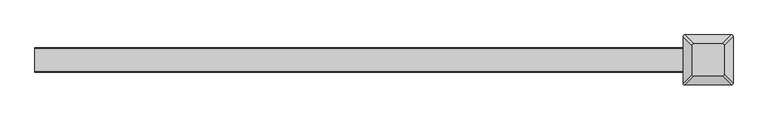
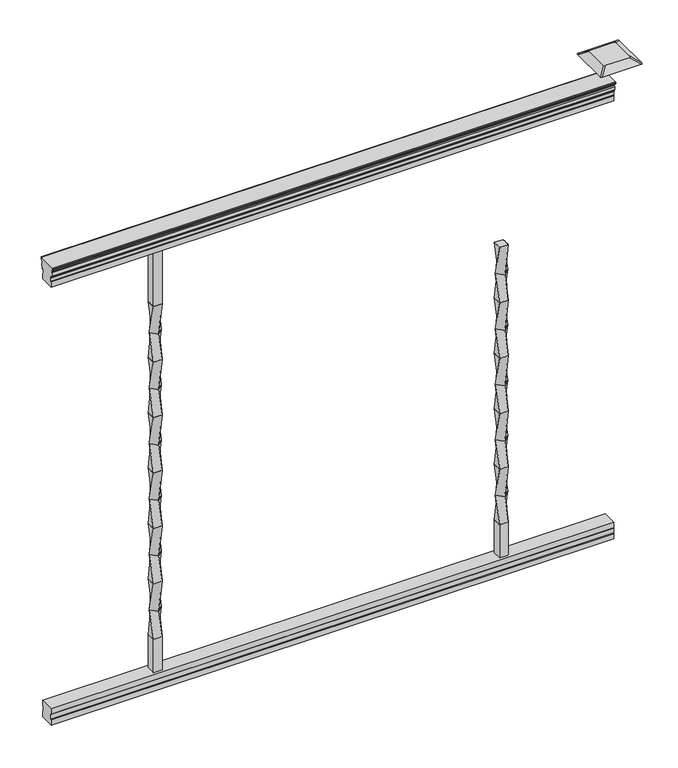
"""IFC4 building model written with IfcOpenShell, lengths in millimetres: proxy geometry."""

from ifc_helpers import new_model, si_unit, point, frame, frame_2d, origin, place, context, project, spatial, polyline, circle_curve, trimmed, segment, composite_curve, outline, extrude, source, transform, mapped, element, save
from ifc_brep_helpers import plane_surface, extruded_surface, spline_surface, advanced_brep


def specialty_equipment_024e9322(model_context):
    return source(origin(), model_context, "Body", "SolidModel", [
        advanced_brep(
        [(365.521875, 9.525, 812.8), (365.521875, -9.525, 812.8), (384.571875, -9.525, 812.8), (384.571875, 9.525, 812.8), (375.046875, 13.4703842, 749.3), (388.5172592, 0.0, 749.3), (375.046875, -13.4703842, 749.3), (361.5764908, 0.0, 749.3)],
        [
            (0, 1),
            (1, 2),
            (2, 3),
            (3, 0),
            (4, 5),
            (5, 6),
            (6, 7),
            (7, 4),
            (4, 0),
            (3, 5),
            (2, 6),
            (1, 7),
        ],
        [
            plane_surface(frame((375.046875, 0.0, 812.8), z_axis=(0.0, 0.0, 1.0), x_axis=(0.0, -1.0, 0.0))),
            plane_surface(frame((375.046875, 0.0, 749.3), z_axis=(0.0, 0.0, -1.0), x_axis=(0.0, -1.0, 0.0))),
            spline_surface(1, 1, [[(388.5172592, 0.0, 749.3), (384.571875, 9.525, 812.8)], [(375.046875, 13.4703842, 749.3), (365.521875, 9.525, 812.8)]], [2, 2], [2, 2], [0.0, 1.0], [0.0, 1.0]),
            spline_surface(1, 1, [[(375.046875, -13.4703842, 749.3), (384.571875, -9.525, 812.8)], [(388.5172592, 0.0, 749.3), (384.571875, 9.525, 812.8)]], [2, 2], [2, 2], [0.0, 1.0], [0.0, 1.0]),
            spline_surface(1, 1, [[(361.5764908, 0.0, 749.3), (365.521875, -9.525, 812.8)], [(375.046875, -13.4703842, 749.3), (384.571875, -9.525, 812.8)]], [2, 2], [2, 2], [0.0, 1.0], [0.0, 1.0]),
            spline_surface(1, 1, [[(375.046875, 13.4703842, 749.3), (365.521875, 9.525, 812.8)], [(361.5764908, 0.0, 749.3), (365.521875, -9.525, 812.8)]], [2, 2], [2, 2], [0.0, 1.0], [0.0, 1.0]),
        ],
        [
            (0, [[1, 2, 3, 4]]),
            (1, [[5, 6, 7, 8]]),
            (2, [[-5, 9, -4, 10]]),
            (3, [[-6, -10, -3, 11]]),
            (4, [[-7, -11, -2, 12]]),
            (5, [[-8, -12, -1, -9]]),
        ],
    ),
        advanced_brep(
        [(375.046875, 13.4703842, 749.3), (361.5764908, 0.0, 749.3), (375.046875, -13.4703842, 749.3), (388.5172592, 0.0, 749.3), (365.521875, 9.525, 685.8), (384.571875, 9.525, 685.8), (384.571875, -9.525, 685.8), (365.521875, -9.525, 685.8)],
        [
            (0, 1),
            (1, 2),
            (2, 3),
            (3, 0),
            (4, 5),
            (5, 6),
            (6, 7),
            (7, 4),
            (4, 0),
            (3, 5),
            (2, 6),
            (1, 7),
        ],
        [
            plane_surface(frame((375.046875, 0.0, 749.3), z_axis=(0.0, 0.0, 1.0000000000000002), x_axis=(0.7071067811865481, -0.707106781186547, 0.0))),
            plane_surface(frame((375.046875, 0.0, 685.8), z_axis=(0.0, 0.0, -1.0000000000000002), x_axis=(0.7071067811865481, -0.707106781186547, 0.0))),
            spline_surface(1, 1, [[(384.571875, 9.525, 685.8), (388.5172592, 0.0, 749.3)], [(365.521875, 9.525, 685.8), (375.046875, 13.4703842, 749.3)]], [2, 2], [2, 2], [0.0, 1.0], [0.0, 1.0]),
            spline_surface(1, 1, [[(384.571875, -9.525, 685.8), (375.046875, -13.4703842, 749.3)], [(384.571875, 9.525, 685.8), (388.5172592, 0.0, 749.3)]], [2, 2], [2, 2], [0.0, 1.0], [0.0, 1.0]),
            spline_surface(1, 1, [[(365.521875, -9.525, 685.8), (361.5764908, 0.0, 749.3)], [(384.571875, -9.525, 685.8), (375.046875, -13.4703842, 749.3)]], [2, 2], [2, 2], [0.0, 1.0], [0.0, 1.0]),
            spline_surface(1, 1, [[(365.521875, 9.525, 685.8), (375.046875, 13.4703842, 749.3)], [(365.521875, -9.525, 685.8), (361.5764908, 0.0, 749.3)]], [2, 2], [2, 2], [0.0, 1.0], [0.0, 1.0]),
        ],
        [
            (0, [[1, 2, 3, 4]]),
            (1, [[5, 6, 7, 8]]),
            (2, [[-5, 9, -4, 10]]),
            (3, [[-6, -10, -3, 11]]),
            (4, [[-7, -11, -2, 12]]),
            (5, [[-8, -12, -1, -9]]),
        ],
    ),
        advanced_brep(
        [(365.521875, 9.525, 685.8), (365.521875, -9.525, 685.8), (384.571875, -9.525, 685.8), (384.571875, 9.525, 685.8), (375.046875, 13.4703842, 622.3), (388.5172592, 0.0, 622.3), (375.046875, -13.4703842, 622.3), (361.5764908, 0.0, 622.3)],
        [
            (0, 1),
            (1, 2),
            (2, 3),
            (3, 0),
            (4, 5),
            (5, 6),
            (6, 7),
            (7, 4),
            (4, 0),
            (3, 5),
            (2, 6),
            (1, 7),
        ],
        [
            plane_surface(frame((375.046875, 0.0, 685.8), z_axis=(0.0, 0.0, 1.0), x_axis=(0.0, -1.0, 0.0))),
            plane_surface(frame((375.046875, 0.0, 622.3), z_axis=(0.0, 0.0, -1.0), x_axis=(0.0, -1.0, 0.0))),
            spline_surface(1, 1, [[(388.5172592, 0.0, 622.3), (384.571875, 9.525, 685.8)], [(375.046875, 13.4703842, 622.3), (365.521875, 9.525, 685.8)]], [2, 2], [2, 2], [0.0, 1.0], [0.0, 1.0]),
            spline_surface(1, 1, [[(375.046875, -13.4703842, 622.3), (384.571875, -9.525, 685.8)], [(388.5172592, 0.0, 622.3), (384.571875, 9.525, 685.8)]], [2, 2], [2, 2], [0.0, 1.0], [0.0, 1.0]),
            spline_surface(1, 1, [[(361.5764908, 0.0, 622.3), (365.521875, -9.525, 685.8)], [(375.046875, -13.4703842, 622.3), (384.571875, -9.525, 685.8)]], [2, 2], [2, 2], [0.0, 1.0], [0.0, 1.0]),
            spline_surface(1, 1, [[(375.046875, 13.4703842, 622.3), (365.521875, 9.525, 685.8)], [(361.5764908, 0.0, 622.3), (365.521875, -9.525, 685.8)]], [2, 2], [2, 2], [0.0, 1.0], [0.0, 1.0]),
        ],
        [
            (0, [[1, 2, 3, 4]]),
            (1, [[5, 6, 7, 8]]),
            (2, [[-5, 9, -4, 10]]),
            (3, [[-6, -10, -3, 11]]),
            (4, [[-7, -11, -2, 12]]),
            (5, [[-8, -12, -1, -9]]),
        ],
    ),
        advanced_brep(
        [(375.046875, 13.4703842, 622.3), (361.5764908, 0.0, 622.3), (375.046875, -13.4703842, 622.3), (388.5172592, 0.0, 622.3), (365.521875, 9.525, 558.8), (384.571875, 9.525, 558.8), (384.571875, -9.525, 558.8), (365.521875, -9.525, 558.8)],
        [
            (0, 1),
            (1, 2),
            (2, 3),
            (3, 0),
            (4, 5),
            (5, 6),
            (6, 7),
            (7, 4),
            (4, 0),
            (3, 5),
            (2, 6),
            (1, 7),
        ],
        [
            plane_surface(frame((375.046875, 0.0, 622.3), z_axis=(0.0, 0.0, 1.0000000000000002), x_axis=(0.7071067811865481, -0.707106781186547, 0.0))),
            plane_surface(frame((375.046875, 0.0, 558.8), z_axis=(0.0, 0.0, -1.0000000000000002), x_axis=(0.7071067811865481, -0.707106781186547, 0.0))),
            spline_surface(1, 1, [[(384.571875, 9.525, 558.8), (388.5172592, 0.0, 622.3)], [(365.521875, 9.525, 558.8), (375.046875, 13.4703842, 622.3)]], [2, 2], [2, 2], [0.0, 1.0], [0.0, 1.0]),
            spline_surface(1, 1, [[(384.571875, -9.525, 558.8), (375.046875, -13.4703842, 622.3)], [(384.571875, 9.525, 558.8), (388.5172592, 0.0, 622.3)]], [2, 2], [2, 2], [0.0, 1.0], [0.0, 1.0]),
            spline_surface(1, 1, [[(365.521875, -9.525, 558.8), (361.5764908, 0.0, 622.3)], [(384.571875, -9.525, 558.8), (375.046875, -13.4703842, 622.3)]], [2, 2], [2, 2], [0.0, 1.0], [0.0, 1.0]),
            spline_surface(1, 1, [[(365.521875, 9.525, 558.8), (375.046875, 13.4703842, 622.3)], [(365.521875, -9.525, 558.8), (361.5764908, 0.0, 622.3)]], [2, 2], [2, 2], [0.0, 1.0], [0.0, 1.0]),
        ],
        [
            (0, [[1, 2, 3, 4]]),
            (1, [[5, 6, 7, 8]]),
            (2, [[-5, 9, -4, 10]]),
            (3, [[-6, -10, -3, 11]]),
            (4, [[-7, -11, -2, 12]]),
            (5, [[-8, -12, -1, -9]]),
        ],
    ),
        advanced_brep(
        [(365.521875, 9.525, 558.8), (365.521875, -9.525, 558.8), (384.571875, -9.525, 558.8), (384.571875, 9.525, 558.8), (375.046875, 13.4703842, 495.3), (388.5172592, 0.0, 495.3), (375.046875, -13.4703842, 495.3), (361.5764908, 0.0, 495.3)],
        [
            (0, 1),
            (1, 2),
            (2, 3),
            (3, 0),
            (4, 5),
            (5, 6),
            (6, 7),
            (7, 4),
            (4, 0),
            (3, 5),
            (2, 6),
            (1, 7),
        ],
        [
            plane_surface(frame((375.046875, 0.0, 558.8), z_axis=(0.0, 0.0, 1.0), x_axis=(0.0, -1.0, 0.0))),
            plane_surface(frame((375.046875, 0.0, 495.3), z_axis=(0.0, 0.0, -1.0), x_axis=(0.0, -1.0, 0.0))),
            spline_surface(1, 1, [[(388.5172592, 0.0, 495.3), (384.571875, 9.525, 558.8)], [(375.046875, 13.4703842, 495.3), (365.521875, 9.525, 558.8)]], [2, 2], [2, 2], [0.0, 1.0], [0.0, 1.0]),
            spline_surface(1, 1, [[(375.046875, -13.4703842, 495.3), (384.571875, -9.525, 558.8)], [(388.5172592, 0.0, 495.3), (384.571875, 9.525, 558.8)]], [2, 2], [2, 2], [0.0, 1.0], [0.0, 1.0]),
            spline_surface(1, 1, [[(361.5764908, 0.0, 495.3), (365.521875, -9.525, 558.8)], [(375.046875, -13.4703842, 495.3), (384.571875, -9.525, 558.8)]], [2, 2], [2, 2], [0.0, 1.0], [0.0, 1.0]),
            spline_surface(1, 1, [[(375.046875, 13.4703842, 495.3), (365.521875, 9.525, 558.8)], [(361.5764908, 0.0, 495.3), (365.521875, -9.525, 558.8)]], [2, 2], [2, 2], [0.0, 1.0], [0.0, 1.0]),
        ],
        [
            (0, [[1, 2, 3, 4]]),
            (1, [[5, 6, 7, 8]]),
            (2, [[-5, 9, -4, 10]]),
            (3, [[-6, -10, -3, 11]]),
            (4, [[-7, -11, -2, 12]]),
            (5, [[-8, -12, -1, -9]]),
        ],
    ),
        advanced_brep(
        [(375.046875, 13.4703842, 495.3), (361.5764908, 0.0, 495.3), (375.046875, -13.4703842, 495.3), (388.5172592, 0.0, 495.3), (365.521875, 9.525, 431.8), (384.571875, 9.525, 431.8), (384.571875, -9.525, 431.8), (365.521875, -9.525, 431.8)],
        [
            (0, 1),
            (1, 2),
            (2, 3),
            (3, 0),
            (4, 5),
            (5, 6),
            (6, 7),
            (7, 4),
            (4, 0),
            (3, 5),
            (2, 6),
            (1, 7),
        ],
        [
            plane_surface(frame((375.046875, 0.0, 495.3), z_axis=(0.0, 0.0, 1.0000000000000002), x_axis=(0.7071067811865481, -0.707106781186547, 0.0))),
            plane_surface(frame((375.046875, 0.0, 431.8), z_axis=(0.0, 0.0, -1.0000000000000002), x_axis=(0.7071067811865481, -0.707106781186547, 0.0))),
            spline_surface(1, 1, [[(384.571875, 9.525, 431.8), (388.5172592, 0.0, 495.3)], [(365.521875, 9.525, 431.8), (375.046875, 13.4703842, 495.3)]], [2, 2], [2, 2], [0.0, 1.0], [0.0, 1.0]),
            spline_surface(1, 1, [[(384.571875, -9.525, 431.8), (375.046875, -13.4703842, 495.3)], [(384.571875, 9.525, 431.8), (388.5172592, 0.0, 495.3)]], [2, 2], [2, 2], [0.0, 1.0], [0.0, 1.0]),
            spline_surface(1, 1, [[(365.521875, -9.525, 431.8), (361.5764908, 0.0, 495.3)], [(384.571875, -9.525, 431.8), (375.046875, -13.4703842, 495.3)]], [2, 2], [2, 2], [0.0, 1.0], [0.0, 1.0]),
            spline_surface(1, 1, [[(365.521875, 9.525, 431.8), (375.046875, 13.4703842, 495.3)], [(365.521875, -9.525, 431.8), (361.5764908, 0.0, 495.3)]], [2, 2], [2, 2], [0.0, 1.0], [0.0, 1.0]),
        ],
        [
            (0, [[1, 2, 3, 4]]),
            (1, [[5, 6, 7, 8]]),
            (2, [[-5, 9, -4, 10]]),
            (3, [[-6, -10, -3, 11]]),
            (4, [[-7, -11, -2, 12]]),
            (5, [[-8, -12, -1, -9]]),
        ],
    ),
        advanced_brep(
        [(365.521875, 9.525, 431.8), (365.521875, -9.525, 431.8), (384.571875, -9.525, 431.8), (384.571875, 9.525, 431.8), (375.046875, 13.4703842, 368.3), (388.5172592, 0.0, 368.3), (375.046875, -13.4703842, 368.3), (361.5764908, 0.0, 368.3)],
        [
            (0, 1),
            (1, 2),
            (2, 3),
            (3, 0),
            (4, 5),
            (5, 6),
            (6, 7),
            (7, 4),
            (4, 0),
            (3, 5),
            (2, 6),
            (1, 7),
        ],
        [
            plane_surface(frame((375.046875, 0.0, 431.8), z_axis=(0.0, 0.0, 1.0), x_axis=(0.0, -1.0, 0.0))),
            plane_surface(frame((375.046875, 0.0, 368.3), z_axis=(0.0, 0.0, -1.0), x_axis=(0.0, -1.0, 0.0))),
            spline_surface(1, 1, [[(388.5172592, 0.0, 368.3), (384.571875, 9.525, 431.8)], [(375.046875, 13.4703842, 368.3), (365.521875, 9.525, 431.8)]], [2, 2], [2, 2], [0.0, 1.0], [0.0, 1.0]),
            spline_surface(1, 1, [[(375.046875, -13.4703842, 368.3), (384.571875, -9.525, 431.8)], [(388.5172592, 0.0, 368.3), (384.571875, 9.525, 431.8)]], [2, 2], [2, 2], [0.0, 1.0], [0.0, 1.0]),
            spline_surface(1, 1, [[(361.5764908, 0.0, 368.3), (365.521875, -9.525, 431.8)], [(375.046875, -13.4703842, 368.3), (384.571875, -9.525, 431.8)]], [2, 2], [2, 2], [0.0, 1.0], [0.0, 1.0]),
            spline_surface(1, 1, [[(375.046875, 13.4703842, 368.3), (365.521875, 9.525, 431.8)], [(361.5764908, 0.0, 368.3), (365.521875, -9.525, 431.8)]], [2, 2], [2, 2], [0.0, 1.0], [0.0, 1.0]),
        ],
        [
            (0, [[1, 2, 3, 4]]),
            (1, [[5, 6, 7, 8]]),
            (2, [[-5, 9, -4, 10]]),
            (3, [[-6, -10, -3, 11]]),
            (4, [[-7, -11, -2, 12]]),
            (5, [[-8, -12, -1, -9]]),
        ],
    ),
        advanced_brep(
        [(375.046875, 13.4703842, 368.3), (361.5764908, 0.0, 368.3), (375.046875, -13.4703842, 368.3), (388.5172592, 0.0, 368.3), (365.521875, 9.525, 304.8), (384.571875, 9.525, 304.8), (384.571875, -9.525, 304.8), (365.521875, -9.525, 304.8)],
        [
            (0, 1),
            (1, 2),
            (2, 3),
            (3, 0),
            (4, 5),
            (5, 6),
            (6, 7),
            (7, 4),
            (4, 0),
            (3, 5),
            (2, 6),
            (1, 7),
        ],
        [
            plane_surface(frame((375.046875, 0.0, 368.3), z_axis=(0.0, 0.0, 1.0000000000000002), x_axis=(0.7071067811865481, -0.707106781186547, 0.0))),
            plane_surface(frame((375.046875, 0.0, 304.8), z_axis=(0.0, 0.0, -1.0000000000000002), x_axis=(0.7071067811865481, -0.707106781186547, 0.0))),
            spline_surface(1, 1, [[(384.571875, 9.525, 304.8), (388.5172592, 0.0, 368.3)], [(365.521875, 9.525, 304.8), (375.046875, 13.4703842, 368.3)]], [2, 2], [2, 2], [0.0, 1.0], [0.0, 1.0]),
            spline_surface(1, 1, [[(384.571875, -9.525, 304.8), (375.046875, -13.4703842, 368.3)], [(384.571875, 9.525, 304.8), (388.5172592, 0.0, 368.3)]], [2, 2], [2, 2], [0.0, 1.0], [0.0, 1.0]),
            spline_surface(1, 1, [[(365.521875, -9.525, 304.8), (361.5764908, 0.0, 368.3)], [(384.571875, -9.525, 304.8), (375.046875, -13.4703842, 368.3)]], [2, 2], [2, 2], [0.0, 1.0], [0.0, 1.0]),
            spline_surface(1, 1, [[(365.521875, 9.525, 304.8), (375.046875, 13.4703842, 368.3)], [(365.521875, -9.525, 304.8), (361.5764908, 0.0, 368.3)]], [2, 2], [2, 2], [0.0, 1.0], [0.0, 1.0]),
        ],
        [
            (0, [[1, 2, 3, 4]]),
            (1, [[5, 6, 7, 8]]),
            (2, [[-5, 9, -4, 10]]),
            (3, [[-6, -10, -3, 11]]),
            (4, [[-7, -11, -2, 12]]),
            (5, [[-8, -12, -1, -9]]),
        ],
    ),
        advanced_brep(
        [(365.521875, 9.525, 304.8), (365.521875, -9.525, 304.8), (384.571875, -9.525, 304.8), (384.571875, 9.525, 304.8), (375.046875, 13.4703842, 241.3), (388.5172592, 0.0, 241.3), (375.046875, -13.4703842, 241.3), (361.5764908, 0.0, 241.3)],
        [
            (0, 1),
            (1, 2),
            (2, 3),
            (3, 0),
            (4, 5),
            (5, 6),
            (6, 7),
            (7, 4),
            (4, 0),
            (3, 5),
            (2, 6),
            (1, 7),
        ],
        [
            plane_surface(frame((375.046875, 0.0, 304.8), z_axis=(0.0, 0.0, 1.0), x_axis=(0.0, -1.0, 0.0))),
            plane_surface(frame((375.046875, 0.0, 241.3), z_axis=(0.0, 0.0, -1.0), x_axis=(0.0, -1.0, 0.0))),
            spline_surface(1, 1, [[(388.5172592, 0.0, 241.3), (384.571875, 9.525, 304.8)], [(375.046875, 13.4703842, 241.3), (365.521875, 9.525, 304.8)]], [2, 2], [2, 2], [0.0, 1.0], [0.0, 1.0]),
            spline_surface(1, 1, [[(375.046875, -13.4703842, 241.3), (384.571875, -9.525, 304.8)], [(388.5172592, 0.0, 241.3), (384.571875, 9.525, 304.8)]], [2, 2], [2, 2], [0.0, 1.0], [0.0, 1.0]),
            spline_surface(1, 1, [[(361.5764908, 0.0, 241.3), (365.521875, -9.525, 304.8)], [(375.046875, -13.4703842, 241.3), (384.571875, -9.525, 304.8)]], [2, 2], [2, 2], [0.0, 1.0], [0.0, 1.0]),
            spline_surface(1, 1, [[(375.046875, 13.4703842, 241.3), (365.521875, 9.525, 304.8)], [(361.5764908, 0.0, 241.3), (365.521875, -9.525, 304.8)]], [2, 2], [2, 2], [0.0, 1.0], [0.0, 1.0]),
        ],
        [
            (0, [[1, 2, 3, 4]]),
            (1, [[5, 6, 7, 8]]),
            (2, [[-5, 9, -4, 10]]),
            (3, [[-6, -10, -3, 11]]),
            (4, [[-7, -11, -2, 12]]),
            (5, [[-8, -12, -1, -9]]),
        ],
    ),
        advanced_brep(
        [(375.046875, 13.4703842, 241.3), (361.5764908, 0.0, 241.3), (375.046875, -13.4703842, 241.3), (388.5172592, 0.0, 241.3), (365.521875, 9.525, 177.8), (384.571875, 9.525, 177.8), (384.571875, -9.525, 177.8), (365.521875, -9.525, 177.8)],
        [
            (0, 1),
            (1, 2),
            (2, 3),
            (3, 0),
            (4, 5),
            (5, 6),
            (6, 7),
            (7, 4),
            (4, 0),
            (3, 5),
            (2, 6),
            (1, 7),
        ],
        [
            plane_surface(frame((375.046875, 0.0, 241.3), z_axis=(0.0, 0.0, 1.0000000000000002), x_axis=(0.7071067811865481, -0.707106781186547, 0.0))),
            plane_surface(frame((375.046875, 0.0, 177.8), z_axis=(0.0, 0.0, -1.0000000000000002), x_axis=(0.7071067811865481, -0.707106781186547, 0.0))),
            spline_surface(1, 1, [[(384.571875, 9.525, 177.8), (388.5172592, 0.0, 241.3)], [(365.521875, 9.525, 177.8), (375.046875, 13.4703842, 241.3)]], [2, 2], [2, 2], [0.0, 1.0], [0.0, 1.0]),
            spline_surface(1, 1, [[(384.571875, -9.525, 177.8), (375.046875, -13.4703842, 241.3)], [(384.571875, 9.525, 177.8), (388.5172592, 0.0, 241.3)]], [2, 2], [2, 2], [0.0, 1.0], [0.0, 1.0]),
            spline_surface(1, 1, [[(365.521875, -9.525, 177.8), (361.5764908, 0.0, 241.3)], [(384.571875, -9.525, 177.8), (375.046875, -13.4703842, 241.3)]], [2, 2], [2, 2], [0.0, 1.0], [0.0, 1.0]),
            spline_surface(1, 1, [[(365.521875, 9.525, 177.8), (375.046875, 13.4703842, 241.3)], [(365.521875, -9.525, 177.8), (361.5764908, 0.0, 241.3)]], [2, 2], [2, 2], [0.0, 1.0], [0.0, 1.0]),
        ],
        [
            (0, [[1, 2, 3, 4]]),
            (1, [[5, 6, 7, 8]]),
            (2, [[-5, 9, -4, 10]]),
            (3, [[-6, -10, -3, 11]]),
            (4, [[-7, -11, -2, 12]]),
            (5, [[-8, -12, -1, -9]]),
        ],
    ),
        extrude(outline(polyline([(384.571875, 9.525), (384.571875, -9.525), (365.521875, -9.525), (365.521875, 9.525), (384.571875, 9.525)])), frame((0.0, 0.0, 101.6), z_axis=(0.0, 0.0, 1.0), x_axis=(1.0, 0.0, 0.0)), (0.0, 0.0, 1.0), 76.2),
        advanced_brep(
        [(-384.571875, 9.525, 939.8), (-384.571875, -9.525, 939.8), (-365.521875, -9.525, 939.8), (-365.521875, 9.525, 939.8), (-375.046875, 13.4703842, 876.3), (-361.5764908, 0.0, 876.3), (-375.046875, -13.4703842, 876.3), (-388.5172592, 0.0, 876.3)],
        [
            (0, 1),
            (1, 2),
            (2, 3),
            (3, 0),
            (4, 5),
            (5, 6),
            (6, 7),
            (7, 4),
            (4, 0),
            (3, 5),
            (2, 6),
            (1, 7),
        ],
        [
            plane_surface(frame((-375.046875, 0.0, 939.8), z_axis=(0.0, 0.0, 1.0), x_axis=(0.0, -1.0, 0.0))),
            plane_surface(frame((-375.046875, 0.0, 876.3), z_axis=(0.0, 0.0, -1.0), x_axis=(0.0, -1.0, 0.0))),
            spline_surface(1, 1, [[(-361.5764908, 0.0, 876.3), (-365.521875, 9.525, 939.8)], [(-375.046875, 13.4703842, 876.3), (-384.571875, 9.525, 939.8)]], [2, 2], [2, 2], [0.0, 1.0], [0.0, 1.0]),
            spline_surface(1, 1, [[(-375.046875, -13.4703842, 876.3), (-365.521875, -9.525, 939.8)], [(-361.5764908, 0.0, 876.3), (-365.521875, 9.525, 939.8)]], [2, 2], [2, 2], [0.0, 1.0], [0.0, 1.0]),
            spline_surface(1, 1, [[(-388.5172592, 0.0, 876.3), (-384.571875, -9.525, 939.8)], [(-375.046875, -13.4703842, 876.3), (-365.521875, -9.525, 939.8)]], [2, 2], [2, 2], [0.0, 1.0], [0.0, 1.0]),
            spline_surface(1, 1, [[(-375.046875, 13.4703842, 876.3), (-384.571875, 9.525, 939.8)], [(-388.5172592, 0.0, 876.3), (-384.571875, -9.525, 939.8)]], [2, 2], [2, 2], [0.0, 1.0], [0.0, 1.0]),
        ],
        [
            (0, [[1, 2, 3, 4]]),
            (1, [[5, 6, 7, 8]]),
            (2, [[-5, 9, -4, 10]]),
            (3, [[-6, -10, -3, 11]]),
            (4, [[-7, -11, -2, 12]]),
            (5, [[-8, -12, -1, -9]]),
        ],
    ),
        advanced_brep(
        [(-375.046875, 13.4703842, 876.3), (-388.5172592, 0.0, 876.3), (-375.046875, -13.4703842, 876.3), (-361.5764908, 0.0, 876.3), (-384.571875, 9.525, 812.8), (-365.521875, 9.525, 812.8), (-365.521875, -9.525, 812.8), (-384.571875, -9.525, 812.8)],
        [
            (0, 1),
            (1, 2),
            (2, 3),
            (3, 0),
            (4, 5),
            (5, 6),
            (6, 7),
            (7, 4),
            (4, 0),
            (3, 5),
            (2, 6),
            (1, 7),
        ],
        [
            plane_surface(frame((-375.046875, 0.0, 876.3), z_axis=(0.0, 0.0, 1.0000000000000002), x_axis=(0.7071067811865481, -0.707106781186547, 0.0))),
            plane_surface(frame((-375.046875, 0.0, 812.8), z_axis=(0.0, 0.0, -1.0000000000000002), x_axis=(0.7071067811865481, -0.707106781186547, 0.0))),
            spline_surface(1, 1, [[(-365.521875, 9.525, 812.8), (-361.5764908, 0.0, 876.3)], [(-384.571875, 9.525, 812.8), (-375.046875, 13.4703842, 876.3)]], [2, 2], [2, 2], [0.0, 1.0], [0.0, 1.0]),
            spline_surface(1, 1, [[(-365.521875, -9.525, 812.8), (-375.046875, -13.4703842, 876.3)], [(-365.521875, 9.525, 812.8), (-361.5764908, 0.0, 876.3)]], [2, 2], [2, 2], [0.0, 1.0], [0.0, 1.0]),
            spline_surface(1, 1, [[(-384.571875, -9.525, 812.8), (-388.5172592, 0.0, 876.3)], [(-365.521875, -9.525, 812.8), (-375.046875, -13.4703842, 876.3)]], [2, 2], [2, 2], [0.0, 1.0], [0.0, 1.0]),
            spline_surface(1, 1, [[(-384.571875, 9.525, 812.8), (-375.046875, 13.4703842, 876.3)], [(-384.571875, -9.525, 812.8), (-388.5172592, 0.0, 876.3)]], [2, 2], [2, 2], [0.0, 1.0], [0.0, 1.0]),
        ],
        [
            (0, [[1, 2, 3, 4]]),
            (1, [[5, 6, 7, 8]]),
            (2, [[-5, 9, -4, 10]]),
            (3, [[-6, -10, -3, 11]]),
            (4, [[-7, -11, -2, 12]]),
            (5, [[-8, -12, -1, -9]]),
        ],
    ),
        extrude(outline(polyline([(-365.521875, 9.525), (-365.521875, -9.525), (-384.571875, -9.525), (-384.571875, 9.525), (-365.521875, 9.525)])), frame((0.0, 0.0, 939.8), z_axis=(0.0, 0.0, 1.0), x_axis=(1.0, 0.0, 0.0)), (0.0, 0.0, 1.0), 127.0),
        advanced_brep(
        [(-384.571875, 9.525, 812.8), (-384.571875, -9.525, 812.8), (-365.521875, -9.525, 812.8), (-365.521875, 9.525, 812.8), (-375.046875, 13.4703842, 749.3), (-361.5764908, 0.0, 749.3), (-375.046875, -13.4703842, 749.3), (-388.5172592, 0.0, 749.3)],
        [
            (0, 1),
            (1, 2),
            (2, 3),
            (3, 0),
            (4, 5),
            (5, 6),
            (6, 7),
            (7, 4),
            (4, 0),
            (3, 5),
            (2, 6),
            (1, 7),
        ],
        [
            plane_surface(frame((-375.046875, 0.0, 812.8), z_axis=(0.0, 0.0, 1.0), x_axis=(0.0, -1.0, 0.0))),
            plane_surface(frame((-375.046875, 0.0, 749.3), z_axis=(0.0, 0.0, -1.0), x_axis=(0.0, -1.0, 0.0))),
            spline_surface(1, 1, [[(-361.5764908, 0.0, 749.3), (-365.521875, 9.525, 812.8)], [(-375.046875, 13.4703842, 749.3), (-384.571875, 9.525, 812.8)]], [2, 2], [2, 2], [0.0, 1.0], [0.0, 1.0]),
            spline_surface(1, 1, [[(-375.046875, -13.4703842, 749.3), (-365.521875, -9.525, 812.8)], [(-361.5764908, 0.0, 749.3), (-365.521875, 9.525, 812.8)]], [2, 2], [2, 2], [0.0, 1.0], [0.0, 1.0]),
            spline_surface(1, 1, [[(-388.5172592, 0.0, 749.3), (-384.571875, -9.525, 812.8)], [(-375.046875, -13.4703842, 749.3), (-365.521875, -9.525, 812.8)]], [2, 2], [2, 2], [0.0, 1.0], [0.0, 1.0]),
            spline_surface(1, 1, [[(-375.046875, 13.4703842, 749.3), (-384.571875, 9.525, 812.8)], [(-388.5172592, 0.0, 749.3), (-384.571875, -9.525, 812.8)]], [2, 2], [2, 2], [0.0, 1.0], [0.0, 1.0]),
        ],
        [
            (0, [[1, 2, 3, 4]]),
            (1, [[5, 6, 7, 8]]),
            (2, [[-5, 9, -4, 10]]),
            (3, [[-6, -10, -3, 11]]),
            (4, [[-7, -11, -2, 12]]),
            (5, [[-8, -12, -1, -9]]),
        ],
    ),
        advanced_brep(
        [(-375.046875, 13.4703842, 749.3), (-388.5172592, 0.0, 749.3), (-375.046875, -13.4703842, 749.3), (-361.5764908, 0.0, 749.3), (-384.571875, 9.525, 685.8), (-365.521875, 9.525, 685.8), (-365.521875, -9.525, 685.8), (-384.571875, -9.525, 685.8)],
        [
            (0, 1),
            (1, 2),
            (2, 3),
            (3, 0),
            (4, 5),
            (5, 6),
            (6, 7),
            (7, 4),
            (4, 0),
            (3, 5),
            (2, 6),
            (1, 7),
        ],
        [
            plane_surface(frame((-375.046875, 0.0, 749.3), z_axis=(0.0, 0.0, 1.0000000000000002), x_axis=(0.7071067811865481, -0.707106781186547, 0.0))),
            plane_surface(frame((-375.046875, 0.0, 685.8), z_axis=(0.0, 0.0, -1.0000000000000002), x_axis=(0.7071067811865481, -0.707106781186547, 0.0))),
            spline_surface(1, 1, [[(-365.521875, 9.525, 685.8), (-361.5764908, 0.0, 749.3)], [(-384.571875, 9.525, 685.8), (-375.046875, 13.4703842, 749.3)]], [2, 2], [2, 2], [0.0, 1.0], [0.0, 1.0]),
            spline_surface(1, 1, [[(-365.521875, -9.525, 685.8), (-375.046875, -13.4703842, 749.3)], [(-365.521875, 9.525, 685.8), (-361.5764908, 0.0, 749.3)]], [2, 2], [2, 2], [0.0, 1.0], [0.0, 1.0]),
            spline_surface(1, 1, [[(-384.571875, -9.525, 685.8), (-388.5172592, 0.0, 749.3)], [(-365.521875, -9.525, 685.8), (-375.046875, -13.4703842, 749.3)]], [2, 2], [2, 2], [0.0, 1.0], [0.0, 1.0]),
            spline_surface(1, 1, [[(-384.571875, 9.525, 685.8), (-375.046875, 13.4703842, 749.3)], [(-384.571875, -9.525, 685.8), (-388.5172592, 0.0, 749.3)]], [2, 2], [2, 2], [0.0, 1.0], [0.0, 1.0]),
        ],
        [
            (0, [[1, 2, 3, 4]]),
            (1, [[5, 6, 7, 8]]),
            (2, [[-5, 9, -4, 10]]),
            (3, [[-6, -10, -3, 11]]),
            (4, [[-7, -11, -2, 12]]),
            (5, [[-8, -12, -1, -9]]),
        ],
    ),
        advanced_brep(
        [(-384.571875, 9.525, 685.8), (-384.571875, -9.525, 685.8), (-365.521875, -9.525, 685.8), (-365.521875, 9.525, 685.8), (-375.046875, 13.4703842, 622.3), (-361.5764908, 0.0, 622.3), (-375.046875, -13.4703842, 622.3), (-388.5172592, 0.0, 622.3)],
        [
            (0, 1),
            (1, 2),
            (2, 3),
            (3, 0),
            (4, 5),
            (5, 6),
            (6, 7),
            (7, 4),
            (4, 0),
            (3, 5),
            (2, 6),
            (1, 7),
        ],
        [
            plane_surface(frame((-375.046875, 0.0, 685.8), z_axis=(0.0, 0.0, 1.0), x_axis=(0.0, -1.0, 0.0))),
            plane_surface(frame((-375.046875, 0.0, 622.3), z_axis=(0.0, 0.0, -1.0), x_axis=(0.0, -1.0, 0.0))),
            spline_surface(1, 1, [[(-361.5764908, 0.0, 622.3), (-365.521875, 9.525, 685.8)], [(-375.046875, 13.4703842, 622.3), (-384.571875, 9.525, 685.8)]], [2, 2], [2, 2], [0.0, 1.0], [0.0, 1.0]),
            spline_surface(1, 1, [[(-375.046875, -13.4703842, 622.3), (-365.521875, -9.525, 685.8)], [(-361.5764908, 0.0, 622.3), (-365.521875, 9.525, 685.8)]], [2, 2], [2, 2], [0.0, 1.0], [0.0, 1.0]),
            spline_surface(1, 1, [[(-388.5172592, 0.0, 622.3), (-384.571875, -9.525, 685.8)], [(-375.046875, -13.4703842, 622.3), (-365.521875, -9.525, 685.8)]], [2, 2], [2, 2], [0.0, 1.0], [0.0, 1.0]),
            spline_surface(1, 1, [[(-375.046875, 13.4703842, 622.3), (-384.571875, 9.525, 685.8)], [(-388.5172592, 0.0, 622.3), (-384.571875, -9.525, 685.8)]], [2, 2], [2, 2], [0.0, 1.0], [0.0, 1.0]),
        ],
        [
            (0, [[1, 2, 3, 4]]),
            (1, [[5, 6, 7, 8]]),
            (2, [[-5, 9, -4, 10]]),
            (3, [[-6, -10, -3, 11]]),
            (4, [[-7, -11, -2, 12]]),
            (5, [[-8, -12, -1, -9]]),
        ],
    ),
        advanced_brep(
        [(-375.046875, 13.4703842, 622.3), (-388.5172592, 0.0, 622.3), (-375.046875, -13.4703842, 622.3), (-361.5764908, 0.0, 622.3), (-384.571875, 9.525, 558.8), (-365.521875, 9.525, 558.8), (-365.521875, -9.525, 558.8), (-384.571875, -9.525, 558.8)],
        [
            (0, 1),
            (1, 2),
            (2, 3),
            (3, 0),
            (4, 5),
            (5, 6),
            (6, 7),
            (7, 4),
            (4, 0),
            (3, 5),
            (2, 6),
            (1, 7),
        ],
        [
            plane_surface(frame((-375.046875, 0.0, 622.3), z_axis=(0.0, 0.0, 1.0000000000000002), x_axis=(0.7071067811865481, -0.707106781186547, 0.0))),
            plane_surface(frame((-375.046875, 0.0, 558.8), z_axis=(0.0, 0.0, -1.0000000000000002), x_axis=(0.7071067811865481, -0.707106781186547, 0.0))),
            spline_surface(1, 1, [[(-365.521875, 9.525, 558.8), (-361.5764908, 0.0, 622.3)], [(-384.571875, 9.525, 558.8), (-375.046875, 13.4703842, 622.3)]], [2, 2], [2, 2], [0.0, 1.0], [0.0, 1.0]),
            spline_surface(1, 1, [[(-365.521875, -9.525, 558.8), (-375.046875, -13.4703842, 622.3)], [(-365.521875, 9.525, 558.8), (-361.5764908, 0.0, 622.3)]], [2, 2], [2, 2], [0.0, 1.0], [0.0, 1.0]),
            spline_surface(1, 1, [[(-384.571875, -9.525, 558.8), (-388.5172592, 0.0, 622.3)], [(-365.521875, -9.525, 558.8), (-375.046875, -13.4703842, 622.3)]], [2, 2], [2, 2], [0.0, 1.0], [0.0, 1.0]),
            spline_surface(1, 1, [[(-384.571875, 9.525, 558.8), (-375.046875, 13.4703842, 622.3)], [(-384.571875, -9.525, 558.8), (-388.5172592, 0.0, 622.3)]], [2, 2], [2, 2], [0.0, 1.0], [0.0, 1.0]),
        ],
        [
            (0, [[1, 2, 3, 4]]),
            (1, [[5, 6, 7, 8]]),
            (2, [[-5, 9, -4, 10]]),
            (3, [[-6, -10, -3, 11]]),
            (4, [[-7, -11, -2, 12]]),
            (5, [[-8, -12, -1, -9]]),
        ],
    ),
        advanced_brep(
        [(-384.571875, 9.525, 558.8), (-384.571875, -9.525, 558.8), (-365.521875, -9.525, 558.8), (-365.521875, 9.525, 558.8), (-375.046875, 13.4703842, 495.3), (-361.5764908, 0.0, 495.3), (-375.046875, -13.4703842, 495.3), (-388.5172592, 0.0, 495.3)],
        [
            (0, 1),
            (1, 2),
            (2, 3),
            (3, 0),
            (4, 5),
            (5, 6),
            (6, 7),
            (7, 4),
            (4, 0),
            (3, 5),
            (2, 6),
            (1, 7),
        ],
        [
            plane_surface(frame((-375.046875, 0.0, 558.8), z_axis=(0.0, 0.0, 1.0), x_axis=(0.0, -1.0, 0.0))),
            plane_surface(frame((-375.046875, 0.0, 495.3), z_axis=(0.0, 0.0, -1.0), x_axis=(0.0, -1.0, 0.0))),
            spline_surface(1, 1, [[(-361.5764908, 0.0, 495.3), (-365.521875, 9.525, 558.8)], [(-375.046875, 13.4703842, 495.3), (-384.571875, 9.525, 558.8)]], [2, 2], [2, 2], [0.0, 1.0], [0.0, 1.0]),
            spline_surface(1, 1, [[(-375.046875, -13.4703842, 495.3), (-365.521875, -9.525, 558.8)], [(-361.5764908, 0.0, 495.3), (-365.521875, 9.525, 558.8)]], [2, 2], [2, 2], [0.0, 1.0], [0.0, 1.0]),
            spline_surface(1, 1, [[(-388.5172592, 0.0, 495.3), (-384.571875, -9.525, 558.8)], [(-375.046875, -13.4703842, 495.3), (-365.521875, -9.525, 558.8)]], [2, 2], [2, 2], [0.0, 1.0], [0.0, 1.0]),
            spline_surface(1, 1, [[(-375.046875, 13.4703842, 495.3), (-384.571875, 9.525, 558.8)], [(-388.5172592, 0.0, 495.3), (-384.571875, -9.525, 558.8)]], [2, 2], [2, 2], [0.0, 1.0], [0.0, 1.0]),
        ],
        [
            (0, [[1, 2, 3, 4]]),
            (1, [[5, 6, 7, 8]]),
            (2, [[-5, 9, -4, 10]]),
            (3, [[-6, -10, -3, 11]]),
            (4, [[-7, -11, -2, 12]]),
            (5, [[-8, -12, -1, -9]]),
        ],
    ),
        advanced_brep(
        [(-375.046875, 13.4703842, 495.3), (-388.5172592, 0.0, 495.3), (-375.046875, -13.4703842, 495.3), (-361.5764908, 0.0, 495.3), (-384.571875, 9.525, 431.8), (-365.521875, 9.525, 431.8), (-365.521875, -9.525, 431.8), (-384.571875, -9.525, 431.8)],
        [
            (0, 1),
            (1, 2),
            (2, 3),
            (3, 0),
            (4, 5),
            (5, 6),
            (6, 7),
            (7, 4),
            (4, 0),
            (3, 5),
            (2, 6),
            (1, 7),
        ],
        [
            plane_surface(frame((-375.046875, 0.0, 495.3), z_axis=(0.0, 0.0, 1.0000000000000002), x_axis=(0.7071067811865481, -0.707106781186547, 0.0))),
            plane_surface(frame((-375.046875, 0.0, 431.8), z_axis=(0.0, 0.0, -1.0000000000000002), x_axis=(0.7071067811865481, -0.707106781186547, 0.0))),
            spline_surface(1, 1, [[(-365.521875, 9.525, 431.8), (-361.5764908, 0.0, 495.3)], [(-384.571875, 9.525, 431.8), (-375.046875, 13.4703842, 495.3)]], [2, 2], [2, 2], [0.0, 1.0], [0.0, 1.0]),
            spline_surface(1, 1, [[(-365.521875, -9.525, 431.8), (-375.046875, -13.4703842, 495.3)], [(-365.521875, 9.525, 431.8), (-361.5764908, 0.0, 495.3)]], [2, 2], [2, 2], [0.0, 1.0], [0.0, 1.0]),
            spline_surface(1, 1, [[(-384.571875, -9.525, 431.8), (-388.5172592, 0.0, 495.3)], [(-365.521875, -9.525, 431.8), (-375.046875, -13.4703842, 495.3)]], [2, 2], [2, 2], [0.0, 1.0], [0.0, 1.0]),
            spline_surface(1, 1, [[(-384.571875, 9.525, 431.8), (-375.046875, 13.4703842, 495.3)], [(-384.571875, -9.525, 431.8), (-388.5172592, 0.0, 495.3)]], [2, 2], [2, 2], [0.0, 1.0], [0.0, 1.0]),
        ],
        [
            (0, [[1, 2, 3, 4]]),
            (1, [[5, 6, 7, 8]]),
            (2, [[-5, 9, -4, 10]]),
            (3, [[-6, -10, -3, 11]]),
            (4, [[-7, -11, -2, 12]]),
            (5, [[-8, -12, -1, -9]]),
        ],
    ),
        advanced_brep(
        [(-384.571875, 9.525, 431.8), (-384.571875, -9.525, 431.8), (-365.521875, -9.525, 431.8), (-365.521875, 9.525, 431.8), (-375.046875, 13.4703842, 368.3), (-361.5764908, 0.0, 368.3), (-375.046875, -13.4703842, 368.3), (-388.5172592, 0.0, 368.3)],
        [
            (0, 1),
            (1, 2),
            (2, 3),
            (3, 0),
            (4, 5),
            (5, 6),
            (6, 7),
            (7, 4),
            (4, 0),
            (3, 5),
            (2, 6),
            (1, 7),
        ],
        [
            plane_surface(frame((-375.046875, 0.0, 431.8), z_axis=(0.0, 0.0, 1.0), x_axis=(0.0, -1.0, 0.0))),
            plane_surface(frame((-375.046875, 0.0, 368.3), z_axis=(0.0, 0.0, -1.0), x_axis=(0.0, -1.0, 0.0))),
            spline_surface(1, 1, [[(-361.5764908, 0.0, 368.3), (-365.521875, 9.525, 431.8)], [(-375.046875, 13.4703842, 368.3), (-384.571875, 9.525, 431.8)]], [2, 2], [2, 2], [0.0, 1.0], [0.0, 1.0]),
            spline_surface(1, 1, [[(-375.046875, -13.4703842, 368.3), (-365.521875, -9.525, 431.8)], [(-361.5764908, 0.0, 368.3), (-365.521875, 9.525, 431.8)]], [2, 2], [2, 2], [0.0, 1.0], [0.0, 1.0]),
            spline_surface(1, 1, [[(-388.5172592, 0.0, 368.3), (-384.571875, -9.525, 431.8)], [(-375.046875, -13.4703842, 368.3), (-365.521875, -9.525, 431.8)]], [2, 2], [2, 2], [0.0, 1.0], [0.0, 1.0]),
            spline_surface(1, 1, [[(-375.046875, 13.4703842, 368.3), (-384.571875, 9.525, 431.8)], [(-388.5172592, 0.0, 368.3), (-384.571875, -9.525, 431.8)]], [2, 2], [2, 2], [0.0, 1.0], [0.0, 1.0]),
        ],
        [
            (0, [[1, 2, 3, 4]]),
            (1, [[5, 6, 7, 8]]),
            (2, [[-5, 9, -4, 10]]),
            (3, [[-6, -10, -3, 11]]),
            (4, [[-7, -11, -2, 12]]),
            (5, [[-8, -12, -1, -9]]),
        ],
    ),
        advanced_brep(
        [(-375.046875, 13.4703842, 368.3), (-388.5172592, 0.0, 368.3), (-375.046875, -13.4703842, 368.3), (-361.5764908, 0.0, 368.3), (-384.571875, 9.525, 304.8), (-365.521875, 9.525, 304.8), (-365.521875, -9.525, 304.8), (-384.571875, -9.525, 304.8)],
        [
            (0, 1),
            (1, 2),
            (2, 3),
            (3, 0),
            (4, 5),
            (5, 6),
            (6, 7),
            (7, 4),
            (4, 0),
            (3, 5),
            (2, 6),
            (1, 7),
        ],
        [
            plane_surface(frame((-375.046875, 0.0, 368.3), z_axis=(0.0, 0.0, 1.0000000000000002), x_axis=(0.7071067811865481, -0.707106781186547, 0.0))),
            plane_surface(frame((-375.046875, 0.0, 304.8), z_axis=(0.0, 0.0, -1.0000000000000002), x_axis=(0.7071067811865481, -0.707106781186547, 0.0))),
            spline_surface(1, 1, [[(-365.521875, 9.525, 304.8), (-361.5764908, 0.0, 368.3)], [(-384.571875, 9.525, 304.8), (-375.046875, 13.4703842, 368.3)]], [2, 2], [2, 2], [0.0, 1.0], [0.0, 1.0]),
            spline_surface(1, 1, [[(-365.521875, -9.525, 304.8), (-375.046875, -13.4703842, 368.3)], [(-365.521875, 9.525, 304.8), (-361.5764908, 0.0, 368.3)]], [2, 2], [2, 2], [0.0, 1.0], [0.0, 1.0]),
            spline_surface(1, 1, [[(-384.571875, -9.525, 304.8), (-388.5172592, 0.0, 368.3)], [(-365.521875, -9.525, 304.8), (-375.046875, -13.4703842, 368.3)]], [2, 2], [2, 2], [0.0, 1.0], [0.0, 1.0]),
            spline_surface(1, 1, [[(-384.571875, 9.525, 304.8), (-375.046875, 13.4703842, 368.3)], [(-384.571875, -9.525, 304.8), (-388.5172592, 0.0, 368.3)]], [2, 2], [2, 2], [0.0, 1.0], [0.0, 1.0]),
        ],
        [
            (0, [[1, 2, 3, 4]]),
            (1, [[5, 6, 7, 8]]),
            (2, [[-5, 9, -4, 10]]),
            (3, [[-6, -10, -3, 11]]),
            (4, [[-7, -11, -2, 12]]),
            (5, [[-8, -12, -1, -9]]),
        ],
    ),
        advanced_brep(
        [(-384.571875, 9.525, 304.8), (-384.571875, -9.525, 304.8), (-365.521875, -9.525, 304.8), (-365.521875, 9.525, 304.8), (-375.046875, 13.4703842, 241.3), (-361.5764908, 0.0, 241.3), (-375.046875, -13.4703842, 241.3), (-388.5172592, 0.0, 241.3)],
        [
            (0, 1),
            (1, 2),
            (2, 3),
            (3, 0),
            (4, 5),
            (5, 6),
            (6, 7),
            (7, 4),
            (4, 0),
            (3, 5),
            (2, 6),
            (1, 7),
        ],
        [
            plane_surface(frame((-375.046875, 0.0, 304.8), z_axis=(0.0, 0.0, 1.0), x_axis=(0.0, -1.0, 0.0))),
            plane_surface(frame((-375.046875, 0.0, 241.3), z_axis=(0.0, 0.0, -1.0), x_axis=(0.0, -1.0, 0.0))),
            spline_surface(1, 1, [[(-361.5764908, 0.0, 241.3), (-365.521875, 9.525, 304.8)], [(-375.046875, 13.4703842, 241.3), (-384.571875, 9.525, 304.8)]], [2, 2], [2, 2], [0.0, 1.0], [0.0, 1.0]),
            spline_surface(1, 1, [[(-375.046875, -13.4703842, 241.3), (-365.521875, -9.525, 304.8)], [(-361.5764908, 0.0, 241.3), (-365.521875, 9.525, 304.8)]], [2, 2], [2, 2], [0.0, 1.0], [0.0, 1.0]),
            spline_surface(1, 1, [[(-388.5172592, 0.0, 241.3), (-384.571875, -9.525, 304.8)], [(-375.046875, -13.4703842, 241.3), (-365.521875, -9.525, 304.8)]], [2, 2], [2, 2], [0.0, 1.0], [0.0, 1.0]),
            spline_surface(1, 1, [[(-375.046875, 13.4703842, 241.3), (-384.571875, 9.525, 304.8)], [(-388.5172592, 0.0, 241.3), (-384.571875, -9.525, 304.8)]], [2, 2], [2, 2], [0.0, 1.0], [0.0, 1.0]),
        ],
        [
            (0, [[1, 2, 3, 4]]),
            (1, [[5, 6, 7, 8]]),
            (2, [[-5, 9, -4, 10]]),
            (3, [[-6, -10, -3, 11]]),
            (4, [[-7, -11, -2, 12]]),
            (5, [[-8, -12, -1, -9]]),
        ],
    ),
        advanced_brep(
        [(-375.046875, 13.4703842, 241.3), (-388.5172592, 0.0, 241.3), (-375.046875, -13.4703842, 241.3), (-361.5764908, 0.0, 241.3), (-384.571875, 9.525, 177.8), (-365.521875, 9.525, 177.8), (-365.521875, -9.525, 177.8), (-384.571875, -9.525, 177.8)],
        [
            (0, 1),
            (1, 2),
            (2, 3),
            (3, 0),
            (4, 5),
            (5, 6),
            (6, 7),
            (7, 4),
            (4, 0),
            (3, 5),
            (2, 6),
            (1, 7),
        ],
        [
            plane_surface(frame((-375.046875, 0.0, 241.3), z_axis=(0.0, 0.0, 1.0000000000000002), x_axis=(0.7071067811865481, -0.707106781186547, 0.0))),
            plane_surface(frame((-375.046875, 0.0, 177.8), z_axis=(0.0, 0.0, -1.0000000000000002), x_axis=(0.7071067811865481, -0.707106781186547, 0.0))),
            spline_surface(1, 1, [[(-365.521875, 9.525, 177.8), (-361.5764908, 0.0, 241.3)], [(-384.571875, 9.525, 177.8), (-375.046875, 13.4703842, 241.3)]], [2, 2], [2, 2], [0.0, 1.0], [0.0, 1.0]),
            spline_surface(1, 1, [[(-365.521875, -9.525, 177.8), (-375.046875, -13.4703842, 241.3)], [(-365.521875, 9.525, 177.8), (-361.5764908, 0.0, 241.3)]], [2, 2], [2, 2], [0.0, 1.0], [0.0, 1.0]),
            spline_surface(1, 1, [[(-384.571875, -9.525, 177.8), (-388.5172592, 0.0, 241.3)], [(-365.521875, -9.525, 177.8), (-375.046875, -13.4703842, 241.3)]], [2, 2], [2, 2], [0.0, 1.0], [0.0, 1.0]),
            spline_surface(1, 1, [[(-384.571875, 9.525, 177.8), (-375.046875, 13.4703842, 241.3)], [(-384.571875, -9.525, 177.8), (-388.5172592, 0.0, 241.3)]], [2, 2], [2, 2], [0.0, 1.0], [0.0, 1.0]),
        ],
        [
            (0, [[1, 2, 3, 4]]),
            (1, [[5, 6, 7, 8]]),
            (2, [[-5, 9, -4, 10]]),
            (3, [[-6, -10, -3, 11]]),
            (4, [[-7, -11, -2, 12]]),
            (5, [[-8, -12, -1, -9]]),
        ],
    ),
        extrude(outline(polyline([(-365.521875, 9.525), (-365.521875, -9.525), (-384.571875, -9.525), (-384.571875, 9.525), (-365.521875, 9.525)])), frame((0.0, 0.0, 101.6), z_axis=(0.0, 0.0, 1.0), x_axis=(1.0, 0.0, 0.0)), (0.0, 0.0, 1.0), 76.2),
        extrude(outline(composite_curve([segment(polyline([(1090.8043297, 17.4328287), (1092.692412, 17.4328287)]), True, "CONTINUOUS"), segment(trimmed(circle_curve(frame_2d((1098.4506383, 11.1180755)), 8.545951), [point((1092.692412, 17.4328287))], [point((1094.2546695, 18.563015))], False, "CARTESIAN"), True, "CONTINUOUS"), segment(trimmed(circle_curve(frame_2d((1097.8636577, 11.5551384)), 7.882584), [point((1094.2546695, 18.563015))], [point((1101.4726458, 18.563015))], False, "CARTESIAN"), True, "CONTINUOUS"), segment(trimmed(circle_curve(frame_2d((1103.7112527, 22.0684625)), 4.1592695), [point((1101.4726458, 18.563015))], [point((1103.9060812, 17.9137586))], True, "CARTESIAN"), True, "CONTINUOUS"), segment(trimmed(circle_curve(frame_2d((1103.6508864, 23.3557691)), 5.4479907), [point((1103.9060812, 17.9137586))], [point((1108.2362083, 20.4137586))], True, "CARTESIAN"), True, "CONTINUOUS"), segment(trimmed(circle_curve(frame_2d((1108.233395, 22.1226107)), 1.7088543), [point((1108.2362083, 20.4137586))], [point((1109.9157972, 21.8231011))], True, "CARTESIAN"), True, "CONTINUOUS"), segment(trimmed(circle_curve(frame_2d((1111.0205318, 20.5057106)), 1.7192895), [point((1109.9157972, 21.8231011))], [point((1111.0205318, 22.2250001))], False, "CARTESIAN"), True, "CONTINUOUS"), segment(polyline([(1111.0205318, 22.2250001), (1112.3608158, 22.225)]), True, "CONTINUOUS"), segment(trimmed(circle_curve(frame_2d((1112.3608158, 20.6715528)), 1.5534472), [point((1112.3608158, 22.225))], [point((1113.914263, 20.6715528))], False, "CARTESIAN"), True, "CONTINUOUS"), segment(polyline([(1113.914263, 20.6715528), (1113.914263, -20.6715528)]), True, "CONTINUOUS"), segment(trimmed(circle_curve(frame_2d((1112.3608158, -20.6715528)), 1.5534472), [point((1113.914263, -20.6715528))], [point((1112.3608158, -22.225))], False, "CARTESIAN"), True, "CONTINUOUS"), segment(polyline([(1112.3608158, -22.225), (1111.0205318, -22.225)]), True, "CONTINUOUS"), segment(trimmed(circle_curve(frame_2d((1111.0205318, -20.5057106)), 1.7192895), [point((1111.0205318, -22.225))], [point((1109.9157972, -21.8231011))], False, "CARTESIAN"), True, "CONTINUOUS"), segment(trimmed(circle_curve(frame_2d((1108.233395, -22.1226107)), 1.7088543), [point((1109.9157972, -21.8231011))], [point((1108.2362083, -20.4137586))], True, "CARTESIAN"), True, "CONTINUOUS"), segment(trimmed(circle_curve(frame_2d((1103.6508864, -23.3557691)), 5.4479907), [point((1108.2362083, -20.4137586))], [point((1103.9060812, -17.9137586))], True, "CARTESIAN"), True, "CONTINUOUS"), segment(trimmed(circle_curve(frame_2d((1103.7112527, -22.0684625)), 4.1592695), [point((1103.9060812, -17.9137586))], [point((1101.4726458, -18.563015))], True, "CARTESIAN"), True, "CONTINUOUS"), segment(trimmed(circle_curve(frame_2d((1097.8636577, -11.5551384)), 7.882584), [point((1101.4726458, -18.563015))], [point((1094.2546695, -18.563015))], False, "CARTESIAN"), True, "CONTINUOUS"), segment(trimmed(circle_curve(frame_2d((1098.4506383, -11.1180755)), 8.545951), [point((1094.2546695, -18.563015))], [point((1092.692412, -17.4328287))], False, "CARTESIAN"), True, "CONTINUOUS"), segment(polyline([(1092.692412, -17.4328287), (1090.8043297, -17.4328287)]), True, "CONTINUOUS"), segment(trimmed(circle_curve(frame_2d((1090.8043297, -16.1459144)), 1.2869144), [point((1090.8043297, -17.4328287))], [point((1090.8043297, -14.859))], False, "CARTESIAN"), True, "CONTINUOUS"), segment(polyline([(1090.8043297, -14.859), (1080.3048283, -14.859), (1079.2888283, -15.875), (1066.8, -15.875), (1066.8, 15.875), (1079.131013, 15.875), (1080.147013, 14.859), (1090.8043297, 14.859)]), True, "CONTINUOUS"), segment(trimmed(circle_curve(frame_2d((1090.8043297, 16.1459144)), 1.2869144), [point((1090.8043297, 14.859))], [point((1090.8043297, 17.4328287))], False, "CARTESIAN"), True, "CONTINUOUS")], self_intersect=False)), frame((609.6, 0.0, 0.0), z_axis=(-1.0, 0.0, 0.0), x_axis=(0.0, 0.0, 1.0)), (0.0, 0.0, 1.0), 1219.2),
        extrude(outline(polyline([(-15.9124869, 76.0541976), (-14.8964869, 77.3546183), (-14.8964869, 87.7141717), (-15.9124869, 89.0624492), (-15.9124869, 101.5958781), (15.8375131, 101.5958781), (15.8375131, 89.0458024), (14.8215131, 87.6975248), (14.8215131, 77.3858283), (15.8375131, 76.0375508), (15.8375131, 63.5), (-15.9124869, 63.5), (-15.9124869, 76.0541976)])), frame((-609.6, 0.0, 0.0), z_axis=(1.0, 0.0, 0.0), x_axis=(0.0, 1.0, 0.0)), (0.0, 0.0, 1.0), 1219.2),
        advanced_brep(
        [(583.803125, 28.971875, 1165.225), (580.628125, 25.796875, 1165.225), (580.628125, -25.796875, 1165.225), (583.803125, -28.971875, 1165.225), (635.396875, -28.971875, 1165.225), (638.571875, -25.796875, 1165.225), (638.571875, 25.796875, 1165.225), (635.396875, 28.971875, 1165.225), (567.53125, 45.24375, 1153.922), (651.66875, 45.24375, 1153.922), (654.84375, 42.06875, 1153.922), (654.84375, -42.06875, 1153.922), (651.66875, -45.24375, 1153.922), (567.53125, -45.24375, 1153.922), (564.35625, -42.06875, 1153.922), (564.35625, 42.06875, 1153.922)],
        [
            (0, 1, circle_curve(frame((583.803125, 25.796875, 1165.225), z_axis=(0.0, 0.0, 1.0), x_axis=(0.0, -1.0, 0.0)), 3.175)),
            (1, 2),
            (2, 3, circle_curve(frame((583.803125, -25.796875, 1165.225), z_axis=(0.0, 0.0, 1.0), x_axis=(0.0, -1.0, 0.0)), 3.175)),
            (3, 4),
            (4, 5, circle_curve(frame((635.396875, -25.796875, 1165.225), z_axis=(0.0, 0.0, 1.0), x_axis=(0.0, -1.0, 0.0)), 3.175)),
            (5, 6),
            (6, 7, circle_curve(frame((635.396875, 25.796875, 1165.225), z_axis=(0.0, 0.0, 1.0), x_axis=(0.0, -1.0, 0.0)), 3.175)),
            (7, 0),
            (8, 9),
            (9, 10, circle_curve(frame((651.66875, 42.06875, 1153.922), z_axis=(0.0, 0.0, -1.0), x_axis=(0.0, -1.0, 0.0)), 3.175)),
            (10, 11),
            (11, 12, circle_curve(frame((651.66875, -42.06875, 1153.922), z_axis=(0.0, 0.0, -1.0), x_axis=(0.0, -1.0, 0.0)), 3.175)),
            (12, 13),
            (13, 14, circle_curve(frame((567.53125, -42.06875, 1153.922), z_axis=(0.0, 0.0, -1.0), x_axis=(0.0, -1.0, 0.0)), 3.175)),
            (14, 15),
            (15, 8, circle_curve(frame((567.53125, 42.06875, 1153.922), z_axis=(0.0, 0.0, -1.0), x_axis=(0.0, -1.0, 0.0)), 3.175)),
            (15, 1),
            (0, 8),
            (14, 2),
            (13, 3),
            (12, 4),
            (11, 5),
            (10, 6),
            (9, 7),
        ],
        [
            plane_surface(frame((609.6, 0.0, 1165.225), z_axis=(0.0, 0.0, 1.0), x_axis=(-1.0, 0.0, 0.0))),
            plane_surface(frame((609.6, 0.0, 1153.922), z_axis=(0.0, 0.0, -1.0), x_axis=(-1.0, 0.0, 0.0))),
            extruded_surface(trimmed(circle_curve(frame((567.53125, 42.06875, 1153.922), z_axis=(0.0, 0.0, 1.0), x_axis=(0.0, -1.0, 0.0)), 3.175), [point((567.53125, 45.24375, 1153.922))], [point((564.35625, 42.06875, 1153.922))], True, "CARTESIAN"), (16.271875000000023, -16.271875, 11.302999999999884), 25.637972638866128),
            plane_surface(frame((564.35625, 0.0, 1153.922), z_axis=(-0.5705009161540777, 0.0, 0.8212969649690409), x_axis=(0.0, -1.0, 0.0))),
            extruded_surface(trimmed(circle_curve(frame((567.53125, -42.06875, 1153.922), z_axis=(0.0, 0.0, 1.0), x_axis=(0.0, -1.0, 0.0)), 3.175), [point((564.35625, -42.06875, 1153.922))], [point((567.53125, -45.24375, 1153.922))], True, "CARTESIAN"), (16.271875000000023, 16.271875, 11.302999999999884), 25.637972638866128),
            plane_surface(frame((609.6, -45.24375, 1153.922), z_axis=(0.0, -0.5705009161540291, 0.8212969649690747), x_axis=(1.0, 0.0, 0.0))),
            extruded_surface(trimmed(circle_curve(frame((651.66875, -42.06875, 1153.922), z_axis=(0.0, 0.0, 1.0), x_axis=(0.0, -1.0, 0.0)), 3.175), [point((651.66875, -45.24375, 1153.922))], [point((654.84375, -42.06875, 1153.922))], True, "CARTESIAN"), (-16.271875000000023, 16.271875, 11.302999999999884), 25.637972638866128),
            plane_surface(frame((654.84375, 0.0, 1153.922), z_axis=(0.5705009161540143, 0.0, 0.821296964969085), x_axis=(0.0, 1.0, 0.0))),
            extruded_surface(trimmed(circle_curve(frame((651.66875, 42.06875, 1153.922), z_axis=(0.0, 0.0, 1.0), x_axis=(0.0, -1.0, 0.0)), 3.175), [point((654.84375, 42.06875, 1153.922))], [point((651.66875, 45.24375, 1153.922))], True, "CARTESIAN"), (-16.271875000000023, -16.271875, 11.302999999999884), 25.637972638866128),
            plane_surface(frame((609.6, 45.24375, 1153.922), z_axis=(0.0, 0.570500916154034, 0.8212969649690713), x_axis=(-1.0, 0.0, 0.0))),
        ],
        [
            (0, [[1, 2, 3, 4, 5, 6, 7, 8]]),
            (1, [[9, 10, 11, 12, 13, 14, 15, 16]]),
            (2, [[-16, 17, -1, 18]]),
            (3, [[-15, 19, -2, -17]]),
            (4, [[-14, 20, -3, -19]]),
            (5, [[-13, 21, -4, -20]]),
            (6, [[-12, 22, -5, -21]]),
            (7, [[-11, 23, -6, -22]]),
            (8, [[-10, 24, -7, -23]]),
            (9, [[-9, -18, -8, -24]]),
        ],
    ),
    ])


if __name__ == "__main__":
    model = new_model("IFC4")
    model_context = context("Model", 3, world=origin())
    ifc_project = project(units=[si_unit("LENGTHUNIT", "METRE", prefix="MILLI")], contexts=[model_context])
    site = spatial("IfcSite", under=ifc_project)
    building = spatial("IfcBuilding", under=site)
    placement = place(None, origin())
    specialty_equipment_shape = specialty_equipment_024e9322(model_context)
    element("IfcBuildingElementProxy", 1, Name="Specialty Equipment", at=placement, inside=building, context=model_context, shape_type="MappedRepresentation", body=[
        mapped(specialty_equipment_shape, transform((0.0, 0.0, 0.0), x_axis=(1.0, 0.0, 0.0), y_axis=(0.0, 1.0, 0.0), z_axis=(0.0, 0.0, 1.0))),
    ])
    save(model, "model.ifc")
